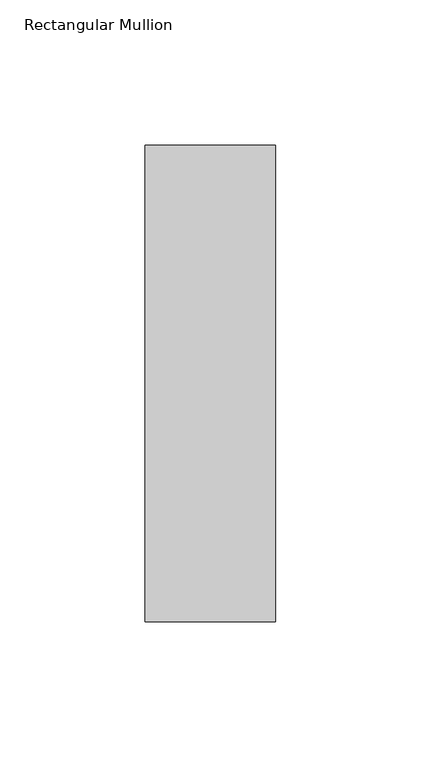
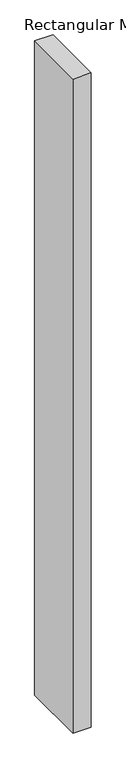
"""IFC4 building model written with IfcOpenShell, lengths in millimetres: member geometry, Rectangular Mullion."""

from ifc_helpers import new_model, si_unit, frame, origin, place, context, project, spatial, polyline, outline, extrude, source, transform, mapped, element, save


def rectangular_mullion_1b8238a4(model_context):
    return source(origin(), model_context, "Body", "SweptSolid", [
        extrude(outline(polyline([(22.5, 127.525), (22.5, -36.525), (-22.5, -36.525), (-22.5, 127.525), (22.5, 127.525)])), frame((0.0, 0.0, -1708.8912252), z_axis=(0.0, 0.0, 1.0), x_axis=(1.0, 0.0, 0.0)), (0.0, 0.0, 1.0), 1708.8912252),
    ])


if __name__ == "__main__":
    model = new_model("IFC4")
    model_context = context("Model", 3, world=origin())
    ifc_project = project(units=[si_unit("LENGTHUNIT", "METRE", prefix="MILLI")], contexts=[model_context])
    site = spatial("IfcSite", under=ifc_project)
    building = spatial("IfcBuilding", under=site)
    placement = place(None, origin())
    rectangular_mullion_shape = rectangular_mullion_1b8238a4(model_context)
    element("IfcMember", 1, ObjectType="Rectangular Mullion", at=placement, inside=building, context=model_context, shape_type="MappedRepresentation", body=[
        mapped(rectangular_mullion_shape, transform((0.0, 0.0, 0.0), x_axis=(1.0, 0.0, 0.0), y_axis=(0.0, 1.0, 0.0), z_axis=(0.0, 0.0, 1.0))),
    ])
    save(model, "model.ifc")
